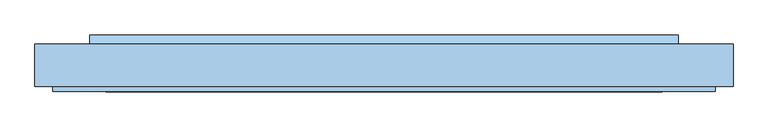
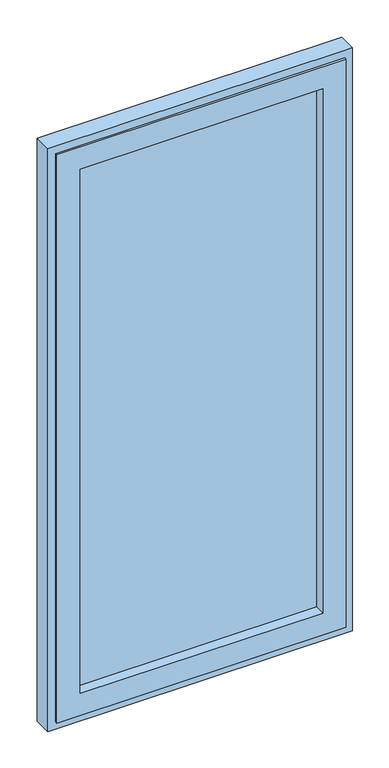
"""IFC4 building model written with IfcOpenShell, lengths in millimetres: window geometry."""

import ifcopenshell
import ifcopenshell.guid

model = None  # the IFC model being written
_history = None  # IfcOwnerHistory: only IFC2X3 demands one
_inside = {}  # id of a spatial element -> (the spatial element, [elements in it])
_under = {}  # id of a project, library or spatial element -> (it, [spatial elements below it])
_declared = {}  # id of a project -> (the project, [libraries it declares])
_typed = {}  # id of a type object -> (the type object, [elements of that type])
_made_of = {}  # id of a material, layer set ... -> (it, [elements and type objects made of it])


def new_model(schema):
    """Start an empty IFC model of exactly this schema.

    Asked for "IFC4X3", IfcOpenShell would pick the latest addendum, in which some entities
    have other attributes; the version numbers below select the first issue.
    IFC2X3 requires an IfcOwnerHistory on every rooted entity: one is made here for all.
    """
    global model, _history
    if schema == "IFC4X3":
        model = ifcopenshell.file(schema_version=(4, 3, 0, 0))
    else:
        model = ifcopenshell.file(schema=schema)
    _inside.clear()
    _under.clear()
    _declared.clear()
    _typed.clear()
    _made_of.clear()
    _history = None
    if model.schema == "IFC2X3":
        org = make("IfcOrganization", Name="unknown")
        user = make(
            "IfcPersonAndOrganization",
            ThePerson=make("IfcPerson", FamilyName="unknown"),
            TheOrganization=org,
        )
        app = make(
            "IfcApplication",
            ApplicationDeveloper=org,
            Version="unknown",
            ApplicationFullName="unknown",
            ApplicationIdentifier="unknown",
        )
        _history = make(
            "IfcOwnerHistory",
            OwningUser=user,
            OwningApplication=app,
            ChangeAction="ADDED",
            CreationDate=0,
        )
    return model


def make(cls, **values):
    """One entity of the class cls with the attributes given. An attribute that is None is left unset."""
    return model.create_entity(
        cls, **{name: value for name, value in values.items() if value is not None}
    )


def rooted(cls, **values):
    """An entity with a GlobalId (a new one), such as an element, a storey or a relation."""
    return make(cls, GlobalId=ifcopenshell.guid.new(), OwnerHistory=_history, **values)


def si_unit(unit_type, name, prefix=None):
    """IfcSIUnit, for example si_unit("LENGTHUNIT", "METRE", prefix="MILLI")."""
    return make("IfcSIUnit", UnitType=unit_type, Prefix=prefix, Name=name)


def assignment(units):
    """IfcUnitAssignment: the units of a project."""
    return None if units is None else make("IfcUnitAssignment", Units=units)


def point(xyz):
    """IfcCartesianPoint."""
    return None if xyz is None else make("IfcCartesianPoint", Coordinates=xyz)


def direction(xyz):
    """IfcDirection."""
    return None if xyz is None else make("IfcDirection", DirectionRatios=xyz)


def frame(location, z_axis=None, x_axis=None):
    """IfcAxis2Placement3D, a coordinate frame: its origin and axes. An axis left out is left unset."""
    return make(
        "IfcAxis2Placement3D",
        Location=point(location),
        Axis=direction(z_axis),
        RefDirection=direction(x_axis),
    )


def origin():
    """The frame at (0, 0, 0) with its axes left unset."""
    return frame((0.0, 0.0, 0.0))


def place(relative_to, where):
    """IfcLocalPlacement: puts the frame where relative to a parent placement (None: the world)."""
    return make(
        "IfcLocalPlacement", PlacementRelTo=relative_to, RelativePlacement=where
    )


def context(
    kind, dimensions, precision=None, world=None, true_north=None, identifier=None
):
    """IfcGeometricRepresentationContext, for example the 3D "Model" context."""
    return make(
        "IfcGeometricRepresentationContext",
        ContextIdentifier=identifier,
        ContextType=kind,
        CoordinateSpaceDimension=dimensions,
        Precision=precision,
        WorldCoordinateSystem=world,
        TrueNorth=true_north,
    )


def project(units=None, contexts=None):
    """IfcProject with its units and contexts."""
    return rooted(
        "IfcProject",
        Name="project",
        RepresentationContexts=contexts,
        UnitsInContext=assignment(units),
    )


def spatial(cls, under=None, at=None, **own):
    """A site, building, storey or space (cls), placed at a placement, below another one or the project."""
    s = rooted(cls, ObjectPlacement=at, **own)
    if under is not None:
        _under.setdefault(under.id(), (under, []))[1].append(s)
    return s


def polyline(points):
    """IfcPolyline through the points."""
    return make("IfcPolyline", Points=[point(p) for p in points])


def outline(outer, holes=None, kind="AREA"):
    """IfcArbitraryClosedProfileDef: a profile drawn as a closed curve; with holes, ...WithVoids."""
    if holes is None:
        return make("IfcArbitraryClosedProfileDef", ProfileType=kind, OuterCurve=outer)
    return make(
        "IfcArbitraryProfileDefWithVoids",
        ProfileType=kind,
        OuterCurve=outer,
        InnerCurves=holes,
    )


def extrude(swept, where, along, depth):
    """IfcExtrudedAreaSolid: the profile swept, set in the frame where, extruded along a direction by depth."""
    return make(
        "IfcExtrudedAreaSolid",
        SweptArea=swept,
        Position=where,
        ExtrudedDirection=direction(along),
        Depth=depth,
    )


def faces_of(points, faces, orient=None, outer=None):
    """IfcFace entities. A face is a list of loops; a loop is a list of indices into points, from 0.

    orient and outer hold one flag for each loop. By default every Orientation is true, the
    first loop of a face is its IfcFaceOuterBound and the others are IfcFaceBound.
    """
    made = []
    for i, loops in enumerate(faces):
        bounds = []
        for j, loop in enumerate(loops):
            is_outer = j == 0 if outer is None else outer[i][j]
            bounds.append(
                make(
                    "IfcFaceOuterBound" if is_outer else "IfcFaceBound",
                    Bound=make("IfcPolyLoop", Polygon=[points[k] for k in loop]),
                    Orientation=True if orient is None else orient[i][j],
                )
            )
        made.append(make("IfcFace", Bounds=bounds))
    return made


def faceted_brep(points, faces, orient=None, outer=None, voids=None):
    """IfcFacetedBrep: a solid bounded by flat faces; with voids (closed shells), ...WithVoids."""
    shared = [point(p) for p in points]
    hull = make("IfcClosedShell", CfsFaces=faces_of(shared, faces, orient, outer))
    if voids is None:
        return make("IfcFacetedBrep", Outer=hull)
    return make(
        "IfcFacetedBrepWithVoids",
        Outer=hull,
        Voids=[
            make(cls, CfsFaces=faces_of(shared, fs, o, b)) for cls, fs, o, b in voids
        ],
    )


def shape(context_of_items, identifier, shape_type, items):
    """IfcShapeRepresentation: the items that make up one representation, for example the "Body"."""
    return make(
        "IfcShapeRepresentation",
        ContextOfItems=context_of_items,
        RepresentationIdentifier=identifier,
        RepresentationType=shape_type,
        Items=items,
    )


def source(mapping_origin, context_of_items, identifier, shape_type, items):
    """IfcRepresentationMap: a shape defined once, which mapped items show again and again."""
    return make(
        "IfcRepresentationMap",
        MappingOrigin=mapping_origin,
        MappedRepresentation=shape(context_of_items, identifier, shape_type, items),
    )


def transform(
    local_origin,
    x_axis=None,
    y_axis=None,
    z_axis=None,
    scale=None,
    scale2=None,
    scale3=None,
    uniform=True,
):
    """IfcCartesianTransformationOperator3D, or its non-uniform kind. x_axis, y_axis, z_axis: its Axis1, 2, 3."""
    if uniform:
        return make(
            "IfcCartesianTransformationOperator3D",
            Axis1=direction(x_axis),
            Axis2=direction(y_axis),
            LocalOrigin=point(local_origin),
            Scale=scale,
            Axis3=direction(z_axis),
        )
    return make(
        "IfcCartesianTransformationOperator3DnonUniform",
        Axis1=direction(x_axis),
        Axis2=direction(y_axis),
        LocalOrigin=point(local_origin),
        Scale=scale,
        Axis3=direction(z_axis),
        Scale2=scale2,
        Scale3=scale3,
    )


def mapped(mapping_source, mapping_target):
    """IfcMappedItem: shows the shape of a source again, moved by a transform."""
    return make(
        "IfcMappedItem", MappingSource=mapping_source, MappingTarget=mapping_target
    )


def made_of(thing, what):
    """Note that an element or type object is made of a material, layer set ...; save() writes the relation."""
    if what is not None:
        _made_of.setdefault(what.id(), (what, []))[1].append(thing)
    return thing


def element(
    cls,
    number,
    at=None,
    inside=None,
    cuts=None,
    type_object=None,
    material=None,
    context=None,
    identifier="Body",
    shape_type=None,
    held_by="IfcProductDefinitionShape",
    body=None,
    shapes=None,
    **own,
):
    """One element of the class cls, such as IfcWall. Its Tag is "e" and its number.

    at: its placement. inside: the storey or other place that contains it. cuts: it is an
    opening in that element (IfcRelVoidsElement). A single representation is given by context,
    identifier, shape_type and body (its items); several are given by shapes. held_by: the class
    of the entity that holds the representations. save() writes the other relations.
    """
    e = rooted(cls, Tag="e%d" % number, ObjectPlacement=at, **own)
    if body is not None:
        shapes = [shape(context, identifier, shape_type, body)]
    if shapes is not None:
        e.Representation = make(held_by, Representations=shapes)
    if inside is not None:
        _inside.setdefault(inside.id(), (inside, []))[1].append(e)
    if cuts is not None:
        rooted(
            "IfcRelVoidsElement", RelatingBuildingElement=cuts, RelatedOpeningElement=e
        )
    if type_object is not None:
        _typed.setdefault(type_object.id(), (type_object, []))[1].append(e)
    return made_of(e, material)


def aggregate(whole, parts):
    """IfcRelAggregates: a whole, such as a stair, and the parts it consists of."""
    return rooted("IfcRelAggregates", RelatingObject=whole, RelatedObjects=parts)


def save(model, path):
    """Write the relations noted so far, then the file.

    IfcRelAggregates (storeys below a building ...), IfcRelContainedInSpatialStructure (elements
    in a storey), IfcRelDefinesByType, IfcRelAssociatesMaterial and IfcRelDeclares: one each for
    every whole, place, type object, material and project.
    """
    for whole, parts in _under.values():
        aggregate(whole, parts)
    for where, things in _inside.values():
        rooted(
            "IfcRelContainedInSpatialStructure",
            RelatedElements=things,
            RelatingStructure=where,
        )
    for kind, things in _typed.values():
        rooted("IfcRelDefinesByType", RelatedObjects=things, RelatingType=kind)
    for what, things in _made_of.values():
        rooted("IfcRelAssociatesMaterial", RelatedObjects=things, RelatingMaterial=what)
    for by, libraries in _declared.values():
        rooted("IfcRelDeclares", RelatingContext=by, RelatedDefinitions=libraries)
    model.write(path)


def window_11620ead(model_context):
    return source(origin(), model_context, "Body", "SolidModel", [
        faceted_brep([(-546.0000002, -70.0, 29.0), (-546.0000002, -61.0, 29.0), (546.0000002, -61.0, 29.0), (546.0000002, -70.0, 29.0), (-515.0000002, 0.0, 60.0), (-515.0000002, 9.0, 60.0), (515.0000002, 9.0, 60.0), (515.0000002, 0.0, 60.0), (-458.0000002, 9.0, 117.0), (-458.0000002, -70.0, 117.0), (458.0000002, -70.0, 117.0), (458.0000002, 9.0, 117.0), (546.0000002, -61.0, 2296.0), (546.0000002, -70.0, 2296.0), (515.0000002, 9.0, 2265.0), (515.0000002, 0.0, 2265.0), (458.0000002, -70.0, 2208.0), (458.0000002, 9.0, 2208.0), (-546.0000002, -61.0, 2296.0), (-546.0000002, -70.0, 2296.0), (-515.0000002, 9.0, 2265.0), (-515.0000002, 0.0, 2265.0), (-458.0000002, -70.0, 2208.0), (-458.0000002, 9.0, 2208.0), (-521.0000002, 0.0, 54.0), (-521.0000002, 0.0, 2271.0), (521.0000002, 0.0, 2271.0), (521.0000002, 0.0, 54.0), (-521.0000002, -61.0, 54.0), (521.0000002, -61.0, 54.0), (521.0000002, -61.0, 2271.0), (-521.0000002, -61.0, 2271.0)], [[[0, 1, 2, 3]], [[4, 5, 6, 7]], [[8, 9, 10, 11]], [[3, 2, 12, 13]], [[7, 6, 14, 15]], [[11, 10, 16, 17]], [[13, 12, 18, 19]], [[15, 14, 20, 21]], [[17, 16, 22, 23]], [[19, 18, 1, 0]], [[5, 20, 14, 6], [11, 17, 23, 8]], [[21, 20, 5, 4]], [[24, 25, 26, 27], [7, 15, 21, 4]], [[23, 22, 9, 8]], [[3, 13, 19, 0], [9, 22, 16, 10]], [[28, 24, 27, 29]], [[29, 27, 26, 30]], [[30, 26, 25, 31]], [[1, 18, 12, 2], [29, 30, 31, 28]], [[31, 25, 24, 28]]]),
        extrude(outline(polyline([(458.0000002, -30.0), (-458.0000002, -30.0), (-458.0000002, 0.0), (458.0000002, 0.0), (458.0000002, -30.0)])), frame((0.0, 0.0, 117.0), z_axis=(0.0, 0.0, 1.0), x_axis=(1.0, 0.0, 0.0)), (0.0, 0.0, 1.0), 2091.0),
        extrude(outline(polyline([(24.0, 60.0), (9.0, 60.0), (9.0, 72.5), (24.0, 65.0), (24.0, 60.0)])), frame((-485.0000002, 0.0, 0.0), z_axis=(1.0, 0.0, 0.0), x_axis=(0.0, 1.0, 0.0)), (0.0, 0.0, 1.0), 970.0000003),
        faceted_brep([(521.0000002, 0.0, 54.0), (521.0000002, 9.0, 54.0), (-521.0000002, 9.0, 54.0), (-521.0000002, 0.0, 54.0), (543.0000002, -61.0, 32.0), (543.0000002, 0.0, 32.0), (-543.0000002, 0.0, 32.0), (-543.0000002, -61.0, 32.0), (575.0000002, 9.0, 0.0), (575.0000002, -61.0, 0.0), (-575.0000002, -61.0, 0.0), (-575.0000002, 9.0, 0.0), (-521.0000002, 9.0, 2271.0), (-521.0000002, 0.0, 2271.0), (-543.0000002, 0.0, 2293.0), (-543.0000002, -61.0, 2293.0), (-575.0000002, -61.0, 2325.0), (-575.0000002, 9.0, 2325.0), (521.0000002, 9.0, 2271.0), (521.0000002, 0.0, 2271.0), (543.0000002, 0.0, 2293.0), (543.0000002, -61.0, 2293.0), (575.0000002, -61.0, 2325.0), (575.0000002, 9.0, 2325.0)], [[[0, 1, 2, 3]], [[4, 5, 6, 7]], [[8, 9, 10, 11]], [[3, 2, 12, 13]], [[7, 6, 14, 15]], [[11, 10, 16, 17]], [[13, 12, 18, 19]], [[15, 14, 20, 21]], [[17, 16, 22, 23]], [[19, 18, 1, 0]], [[5, 20, 14, 6], [3, 13, 19, 0]], [[21, 20, 5, 4]], [[9, 22, 16, 10], [7, 15, 21, 4]], [[23, 22, 9, 8]], [[11, 17, 23, 8], [1, 18, 12, 2]]]),
    ])


if __name__ == "__main__":
    model = new_model("IFC4")
    model_context = context("Model", 3, world=origin())
    ifc_project = project(units=[si_unit("LENGTHUNIT", "METRE", prefix="MILLI")], contexts=[model_context])
    site = spatial("IfcSite", under=ifc_project)
    building = spatial("IfcBuilding", under=site)
    placement = place(None, origin())
    window_shape = window_11620ead(model_context)
    element("IfcWindow", 1, at=placement, inside=building, context=model_context, shape_type="MappedRepresentation", body=[
        mapped(window_shape, transform((0.0, 0.0, 0.0), x_axis=(1.0, 0.0, 0.0), y_axis=(0.0, 1.0, 0.0), z_axis=(0.0, 0.0, 1.0))),
    ])
    save(model, "model.ifc")
